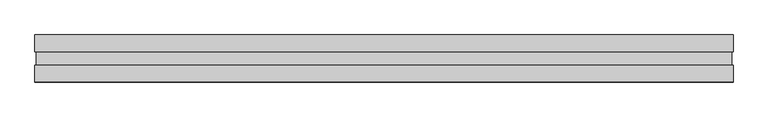
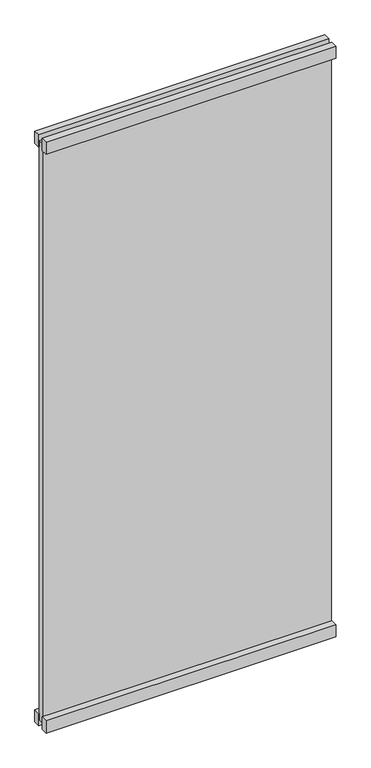
"""IFC4 building model written with IfcOpenShell, lengths in millimetres: plate geometry."""

import ifcopenshell
import ifcopenshell.guid

model = None  # the IFC model being written
_history = None  # IfcOwnerHistory: only IFC2X3 demands one
_inside = {}  # id of a spatial element -> (the spatial element, [elements in it])
_under = {}  # id of a project, library or spatial element -> (it, [spatial elements below it])
_declared = {}  # id of a project -> (the project, [libraries it declares])
_typed = {}  # id of a type object -> (the type object, [elements of that type])
_made_of = {}  # id of a material, layer set ... -> (it, [elements and type objects made of it])


def new_model(schema):
    """Start an empty IFC model of exactly this schema.

    Asked for "IFC4X3", IfcOpenShell would pick the latest addendum, in which some entities
    have other attributes; the version numbers below select the first issue.
    IFC2X3 requires an IfcOwnerHistory on every rooted entity: one is made here for all.
    """
    global model, _history
    if schema == "IFC4X3":
        model = ifcopenshell.file(schema_version=(4, 3, 0, 0))
    else:
        model = ifcopenshell.file(schema=schema)
    _inside.clear()
    _under.clear()
    _declared.clear()
    _typed.clear()
    _made_of.clear()
    _history = None
    if model.schema == "IFC2X3":
        org = make("IfcOrganization", Name="unknown")
        user = make(
            "IfcPersonAndOrganization",
            ThePerson=make("IfcPerson", FamilyName="unknown"),
            TheOrganization=org,
        )
        app = make(
            "IfcApplication",
            ApplicationDeveloper=org,
            Version="unknown",
            ApplicationFullName="unknown",
            ApplicationIdentifier="unknown",
        )
        _history = make(
            "IfcOwnerHistory",
            OwningUser=user,
            OwningApplication=app,
            ChangeAction="ADDED",
            CreationDate=0,
        )
    return model


def make(cls, **values):
    """One entity of the class cls with the attributes given. An attribute that is None is left unset."""
    return model.create_entity(
        cls, **{name: value for name, value in values.items() if value is not None}
    )


def rooted(cls, **values):
    """An entity with a GlobalId (a new one), such as an element, a storey or a relation."""
    return make(cls, GlobalId=ifcopenshell.guid.new(), OwnerHistory=_history, **values)


def si_unit(unit_type, name, prefix=None):
    """IfcSIUnit, for example si_unit("LENGTHUNIT", "METRE", prefix="MILLI")."""
    return make("IfcSIUnit", UnitType=unit_type, Prefix=prefix, Name=name)


def assignment(units):
    """IfcUnitAssignment: the units of a project."""
    return None if units is None else make("IfcUnitAssignment", Units=units)


def point(xyz):
    """IfcCartesianPoint."""
    return None if xyz is None else make("IfcCartesianPoint", Coordinates=xyz)


def direction(xyz):
    """IfcDirection."""
    return None if xyz is None else make("IfcDirection", DirectionRatios=xyz)


def frame(location, z_axis=None, x_axis=None):
    """IfcAxis2Placement3D, a coordinate frame: its origin and axes. An axis left out is left unset."""
    return make(
        "IfcAxis2Placement3D",
        Location=point(location),
        Axis=direction(z_axis),
        RefDirection=direction(x_axis),
    )


def origin():
    """The frame at (0, 0, 0) with its axes left unset."""
    return frame((0.0, 0.0, 0.0))


def origin_with_axes():
    """The frame at (0, 0, 0) with the z axis (0, 0, 1) and the x axis (1, 0, 0) written out."""
    return frame((0.0, 0.0, 0.0), z_axis=(0.0, 0.0, 1.0), x_axis=(1.0, 0.0, 0.0))


def place(relative_to, where):
    """IfcLocalPlacement: puts the frame where relative to a parent placement (None: the world)."""
    return make(
        "IfcLocalPlacement", PlacementRelTo=relative_to, RelativePlacement=where
    )


def context(
    kind, dimensions, precision=None, world=None, true_north=None, identifier=None
):
    """IfcGeometricRepresentationContext, for example the 3D "Model" context."""
    return make(
        "IfcGeometricRepresentationContext",
        ContextIdentifier=identifier,
        ContextType=kind,
        CoordinateSpaceDimension=dimensions,
        Precision=precision,
        WorldCoordinateSystem=world,
        TrueNorth=true_north,
    )


def project(units=None, contexts=None):
    """IfcProject with its units and contexts."""
    return rooted(
        "IfcProject",
        Name="project",
        RepresentationContexts=contexts,
        UnitsInContext=assignment(units),
    )


def spatial(cls, under=None, at=None, **own):
    """A site, building, storey or space (cls), placed at a placement, below another one or the project."""
    s = rooted(cls, ObjectPlacement=at, **own)
    if under is not None:
        _under.setdefault(under.id(), (under, []))[1].append(s)
    return s


def polyline(points):
    """IfcPolyline through the points."""
    return make("IfcPolyline", Points=[point(p) for p in points])


def outline(outer, holes=None, kind="AREA"):
    """IfcArbitraryClosedProfileDef: a profile drawn as a closed curve; with holes, ...WithVoids."""
    if holes is None:
        return make("IfcArbitraryClosedProfileDef", ProfileType=kind, OuterCurve=outer)
    return make(
        "IfcArbitraryProfileDefWithVoids",
        ProfileType=kind,
        OuterCurve=outer,
        InnerCurves=holes,
    )


def extrude(swept, where, along, depth):
    """IfcExtrudedAreaSolid: the profile swept, set in the frame where, extruded along a direction by depth."""
    return make(
        "IfcExtrudedAreaSolid",
        SweptArea=swept,
        Position=where,
        ExtrudedDirection=direction(along),
        Depth=depth,
    )


def shape(context_of_items, identifier, shape_type, items):
    """IfcShapeRepresentation: the items that make up one representation, for example the "Body"."""
    return make(
        "IfcShapeRepresentation",
        ContextOfItems=context_of_items,
        RepresentationIdentifier=identifier,
        RepresentationType=shape_type,
        Items=items,
    )


def source(mapping_origin, context_of_items, identifier, shape_type, items):
    """IfcRepresentationMap: a shape defined once, which mapped items show again and again."""
    return make(
        "IfcRepresentationMap",
        MappingOrigin=mapping_origin,
        MappedRepresentation=shape(context_of_items, identifier, shape_type, items),
    )


def transform(
    local_origin,
    x_axis=None,
    y_axis=None,
    z_axis=None,
    scale=None,
    scale2=None,
    scale3=None,
    uniform=True,
):
    """IfcCartesianTransformationOperator3D, or its non-uniform kind. x_axis, y_axis, z_axis: its Axis1, 2, 3."""
    if uniform:
        return make(
            "IfcCartesianTransformationOperator3D",
            Axis1=direction(x_axis),
            Axis2=direction(y_axis),
            LocalOrigin=point(local_origin),
            Scale=scale,
            Axis3=direction(z_axis),
        )
    return make(
        "IfcCartesianTransformationOperator3DnonUniform",
        Axis1=direction(x_axis),
        Axis2=direction(y_axis),
        LocalOrigin=point(local_origin),
        Scale=scale,
        Axis3=direction(z_axis),
        Scale2=scale2,
        Scale3=scale3,
    )


def mapped(mapping_source, mapping_target):
    """IfcMappedItem: shows the shape of a source again, moved by a transform."""
    return make(
        "IfcMappedItem", MappingSource=mapping_source, MappingTarget=mapping_target
    )


def made_of(thing, what):
    """Note that an element or type object is made of a material, layer set ...; save() writes the relation."""
    if what is not None:
        _made_of.setdefault(what.id(), (what, []))[1].append(thing)
    return thing


def element(
    cls,
    number,
    at=None,
    inside=None,
    cuts=None,
    type_object=None,
    material=None,
    context=None,
    identifier="Body",
    shape_type=None,
    held_by="IfcProductDefinitionShape",
    body=None,
    shapes=None,
    **own,
):
    """One element of the class cls, such as IfcWall. Its Tag is "e" and its number.

    at: its placement. inside: the storey or other place that contains it. cuts: it is an
    opening in that element (IfcRelVoidsElement). A single representation is given by context,
    identifier, shape_type and body (its items); several are given by shapes. held_by: the class
    of the entity that holds the representations. save() writes the other relations.
    """
    e = rooted(cls, Tag="e%d" % number, ObjectPlacement=at, **own)
    if body is not None:
        shapes = [shape(context, identifier, shape_type, body)]
    if shapes is not None:
        e.Representation = make(held_by, Representations=shapes)
    if inside is not None:
        _inside.setdefault(inside.id(), (inside, []))[1].append(e)
    if cuts is not None:
        rooted(
            "IfcRelVoidsElement", RelatingBuildingElement=cuts, RelatedOpeningElement=e
        )
    if type_object is not None:
        _typed.setdefault(type_object.id(), (type_object, []))[1].append(e)
    return made_of(e, material)


def aggregate(whole, parts):
    """IfcRelAggregates: a whole, such as a stair, and the parts it consists of."""
    return rooted("IfcRelAggregates", RelatingObject=whole, RelatedObjects=parts)


def save(model, path):
    """Write the relations noted so far, then the file.

    IfcRelAggregates (storeys below a building ...), IfcRelContainedInSpatialStructure (elements
    in a storey), IfcRelDefinesByType, IfcRelAssociatesMaterial and IfcRelDeclares: one each for
    every whole, place, type object, material and project.
    """
    for whole, parts in _under.values():
        aggregate(whole, parts)
    for where, things in _inside.values():
        rooted(
            "IfcRelContainedInSpatialStructure",
            RelatedElements=things,
            RelatingStructure=where,
        )
    for kind, things in _typed.values():
        rooted("IfcRelDefinesByType", RelatedObjects=things, RelatingType=kind)
    for what, things in _made_of.values():
        rooted("IfcRelAssociatesMaterial", RelatedObjects=things, RelatingMaterial=what)
    for by, libraries in _declared.values():
        rooted("IfcRelDeclares", RelatingContext=by, RelatedDefinitions=libraries)
    model.write(path)


def plate_ce755f77(model_context):
    return source(origin(), model_context, "Body", "SweptSolid", [
        extrude(outline(polyline([(670.0833333, -13.0), (670.0833333, -45.0), (-670.0833333, -45.0), (-670.0833333, -13.0), (670.0833333, -13.0)])), origin_with_axes(), (0.0, 0.0, 1.0), 60.0),
        extrude(outline(polyline([(670.0833333, 45.0), (670.0833333, 13.0), (-670.0833333, 13.0), (-670.0833333, 45.0), (670.0833333, 45.0)])), origin_with_axes(), (0.0, 0.0, 1.0), 60.0),
        extrude(outline(polyline([(670.0833333, -13.0), (670.0833333, -45.0), (-670.0833333, -45.0), (-670.0833333, -13.0), (670.0833333, -13.0)])), frame((0.0, 0.0, 2825.0), z_axis=(0.0, 0.0, 1.0), x_axis=(1.0, 0.0, 0.0)), (0.0, 0.0, 1.0), 60.0),
        extrude(outline(polyline([(670.0833333, 45.0), (670.0833333, 13.0), (-670.0833333, 13.0), (-670.0833333, 45.0), (670.0833333, 45.0)])), frame((0.0, 0.0, 2825.0), z_axis=(0.0, 0.0, 1.0), x_axis=(1.0, 0.0, 0.0)), (0.0, 0.0, 1.0), 60.0),
        extrude(outline(polyline([(667.5833333, -13.0), (-667.5833333, -13.0), (-667.5833333, 13.0), (667.5833333, 13.0), (667.5833333, -13.0)])), frame((0.0, 0.0, 28.0), z_axis=(0.0, 0.0, 1.0), x_axis=(1.0, 0.0, 0.0)), (0.0, 0.0, 1.0), 2829.0),
    ])


if __name__ == "__main__":
    model = new_model("IFC4")
    model_context = context("Model", 3, world=origin())
    ifc_project = project(units=[si_unit("LENGTHUNIT", "METRE", prefix="MILLI")], contexts=[model_context])
    site = spatial("IfcSite", under=ifc_project)
    building = spatial("IfcBuilding", under=site)
    placement = place(None, origin())
    plate_shape = plate_ce755f77(model_context)
    element("IfcPlate", 1, at=placement, inside=building, context=model_context, shape_type="MappedRepresentation", body=[
        mapped(plate_shape, transform((0.0, 0.0, 0.0), x_axis=(1.0, 0.0, 0.0), y_axis=(0.0, 1.0, 0.0), z_axis=(0.0, 0.0, 1.0))),
    ])
    save(model, "model.ifc")
